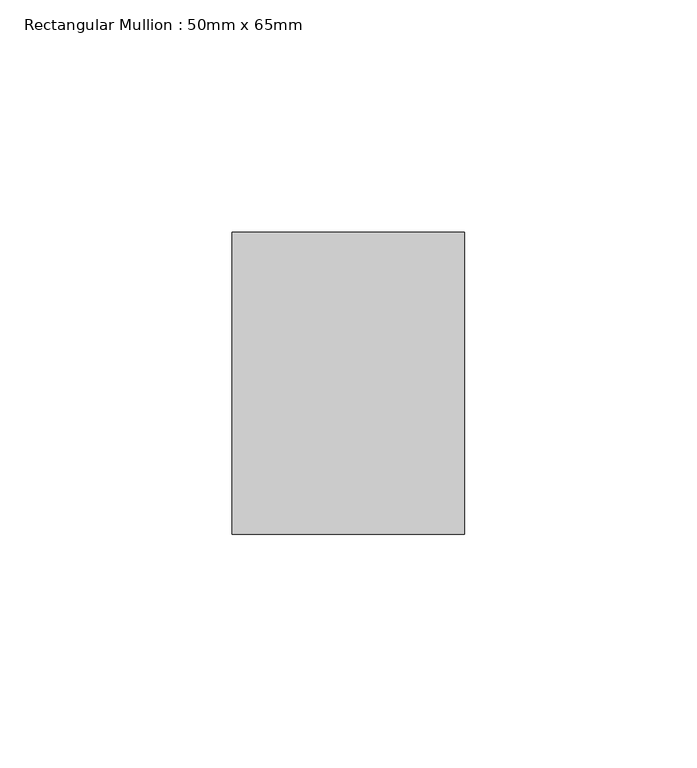
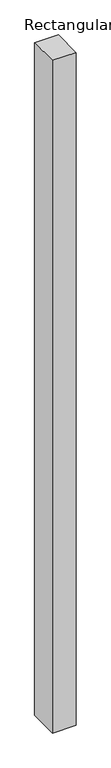
"""IFC4 building model written with IfcOpenShell, lengths in millimetres: member geometry, Rectangular Mullion : 50mm x 65mm."""

from ifc_helpers import new_model, si_unit, origin, place, context, project, spatial, faceted_brep, source, transform, mapped, element, save


def rectangular_mullion_50mm_x_65mm_8419e1d3(model_context):
    return source(origin(), model_context, "Body", "Brep", [
        faceted_brep([(-25.0, 32.5, -0.0980888), (25.0, 32.5, -0.0980881), (25.0, 32.5, -1499.8164313), (-25.0, 32.5, -1499.81643), (-25.0, -32.5, 0.0980881), (-25.0, -32.5, -1500.1835738), (25.0, -32.5, 0.0980888), (25.0, -32.5, -1500.1835751)], [[[0, 1, 2, 3]], [[4, 0, 3, 5]], [[6, 4, 5, 7]], [[1, 6, 7, 2]], [[1, 0, 4, 6]], [[2, 7, 5, 3]]]),
    ])


if __name__ == "__main__":
    model = new_model("IFC4")
    model_context = context("Model", 3, world=origin())
    ifc_project = project(units=[si_unit("LENGTHUNIT", "METRE", prefix="MILLI")], contexts=[model_context])
    site = spatial("IfcSite", under=ifc_project)
    building = spatial("IfcBuilding", under=site)
    placement = place(None, origin())
    rectangular_mullion_50mm_x_65mm_shape = rectangular_mullion_50mm_x_65mm_8419e1d3(model_context)
    element("IfcMember", 1, ObjectType="Rectangular Mullion : 50mm x 65mm", at=placement, inside=building, context=model_context, shape_type="MappedRepresentation", body=[
        mapped(rectangular_mullion_50mm_x_65mm_shape, transform((0.0, 0.0, 0.0), x_axis=(1.0, 0.0, 0.0), y_axis=(0.0, 1.0, 0.0), z_axis=(0.0, 0.0, 1.0))),
    ])
    save(model, "model.ifc")
